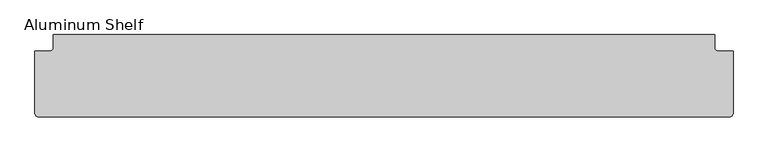
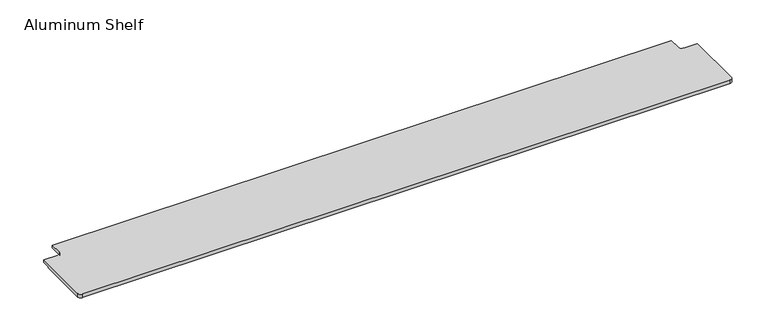
"""IFC4 building model written with IfcOpenShell, lengths in millimetres: furniture geometry, Aluminum Shelf."""

from ifc_helpers import new_model, si_unit, frame, origin, place, context, project, spatial, polyline, circle_curve, source, transform, mapped, element, save
from ifc_brep_helpers import plane_surface, cylinder_surface, revolved_surface, advanced_brep


def aluminum_shelf_9e608764(model_context):
    return source(origin(), model_context, "Body", "AdvancedBrep", [
        advanced_brep(
        [(-1136.65, -70.8560781, 2.4854), (73.025, -70.8560781, 2.4854), (79.375, -64.5060781, 2.4854), (79.375, 44.5882219, 2.4854), (53.3146, 44.5882219, 2.4854), (46.9646, 50.9382219, 2.4854), (46.9646, 73.1812219, 2.4854), (-1110.5896, 73.1812219, 2.4854), (-1110.5896, 50.9382219, 2.4854), (-1116.9396, 44.5882219, 2.4854), (-1143.0, 44.5882219, 2.4854), (-1143.0, -64.5060781, 2.4854), (-1136.65, -70.8560781, -4.5146), (-1143.0, -64.5060781, -4.5146), (-1143.0, 29.2199219, -4.5146), (79.375, 29.2199219, -4.5146), (79.375, -64.5060781, -4.5146), (73.025, -70.8560781, -4.5146), (79.375, 29.2199219, -2.51586), (79.375, 44.5882219, -2.51586), (53.3146, 44.5882219, -2.51586), (46.9646, 50.9382219, -2.51586), (46.9646, 73.1812219, -2.51586), (-1110.5896, 73.1812219, -2.51586), (-1110.5896, 50.9382219, -2.51586), (-1116.9396, 44.5882219, -2.51586), (-1143.0, 44.5882219, -2.51586), (-1143.0, 29.2199219, -2.51586)],
        [
            (0, 1),
            (1, 2, circle_curve(frame((73.025, -64.5060781, 2.4854), z_axis=(0.0, 0.0, 1.0), x_axis=(1.0, 0.0, 0.0)), 6.35)),
            (2, 3),
            (3, 4),
            (4, 5, circle_curve(frame((53.3146, 50.9382219, 2.4854), z_axis=(0.0, 0.0, -1.0), x_axis=(1.0, 0.0, 0.0)), 6.35)),
            (5, 6),
            (6, 7),
            (7, 8),
            (8, 9, circle_curve(frame((-1116.9396, 50.9382219, 2.4854), z_axis=(0.0, 0.0, -1.0), x_axis=(1.0, 0.0, 0.0)), 6.35)),
            (9, 10),
            (10, 11),
            (11, 0, circle_curve(frame((-1136.65, -64.5060781, 2.4854), z_axis=(0.0, 0.0, 1.0), x_axis=(1.0, 0.0, 0.0)), 6.35)),
            (12, 13, circle_curve(frame((-1136.65, -64.5060781, -4.5146), z_axis=(0.0, 0.0, -1.0), x_axis=(1.0, 0.0, 0.0)), 6.35)),
            (13, 14),
            (14, 15),
            (15, 16),
            (16, 17, circle_curve(frame((73.025, -64.5060781, -4.5146), z_axis=(0.0, 0.0, -1.0), x_axis=(1.0, 0.0, 0.0)), 6.35)),
            (17, 12),
            (0, 12),
            (17, 1),
            (16, 2),
            (15, 18),
            (18, 19),
            (19, 3),
            (19, 20),
            (20, 4),
            (20, 21, circle_curve(frame((53.3146, 50.9382219, -2.51586), z_axis=(0.0, 0.0, -1.0), x_axis=(1.0, 0.0, 0.0)), 6.35)),
            (21, 5),
            (21, 22),
            (22, 6),
            (22, 23),
            (23, 7),
            (23, 24),
            (24, 8),
            (24, 25, circle_curve(frame((-1116.9396, 50.9382219, -2.51586), z_axis=(0.0, 0.0, -1.0), x_axis=(1.0, 0.0, 0.0)), 6.35)),
            (25, 9),
            (25, 26),
            (26, 10),
            (26, 27),
            (27, 14),
            (13, 11),
            (27, 18),
        ],
        [
            plane_surface(frame((-531.8125, -31.1050781, 2.4854), z_axis=(0.0, 0.0, 1.0), x_axis=(1.0, 0.0, 0.0))),
            plane_surface(frame((-531.8125, -31.1050781, -4.5146), z_axis=(0.0, 0.0, -1.0), x_axis=(1.0, 0.0, 0.0))),
            plane_surface(frame((-1136.65, -70.8560781, 2.4854), z_axis=(0.0, -1.0, 0.0), x_axis=(0.0, 0.0, -1.0))),
            cylinder_surface(frame((73.025, -64.5060781, 2.4854), z_axis=(0.0, 0.0, 1.0), x_axis=(1.0, 0.0, 0.0)), 6.35),
            plane_surface(frame((79.375, -64.5060781, 2.4854), z_axis=(1.0, 0.0, 0.0), x_axis=(0.0, 0.0, -1.0))),
            plane_surface(frame((79.375, 44.5882219, 2.4854), z_axis=(0.0, 1.0, 0.0), x_axis=(0.0, 0.0, -1.0))),
            revolved_surface(polyline([(59.6646, 50.9382219, -2.5158600000000004), (59.6646, 50.9382219, 2.4854)]), (53.3146, 50.9382219, 2.4854), (0.0, 0.0, -1.0)),
            plane_surface(frame((46.9646, 50.9382219, 2.4854), z_axis=(1.0, 0.0, 0.0), x_axis=(0.0, 0.0, -1.0))),
            plane_surface(frame((46.9646, 73.1812219, 2.4854), z_axis=(0.0, 1.0, 0.0), x_axis=(0.0, 0.0, -1.0))),
            plane_surface(frame((-1110.5896, 73.1812219, 2.4854), z_axis=(-1.0, 0.0, 0.0), x_axis=(0.0, 0.0, -1.0))),
            revolved_surface(polyline([(-1110.5896, 50.9382219, -2.5158600000000004), (-1110.5896, 50.9382219, 2.4854)]), (-1116.9396, 50.9382219, 2.4854), (0.0, 0.0, -1.0)),
            plane_surface(frame((-1116.9396, 44.5882219, 2.4854), z_axis=(0.0, 1.0, 0.0), x_axis=(0.0, 0.0, -1.0))),
            plane_surface(frame((-1143.0, 44.5882219, 2.4854), z_axis=(-1.0, 0.0, 0.0), x_axis=(0.0, 0.0, -1.0))),
            cylinder_surface(frame((-1136.65, -64.5060781, 2.4854), z_axis=(0.0, 0.0, 1.0), x_axis=(1.0, 0.0, 0.0)), 6.35),
            plane_surface(frame((-1143.0, 29.2199219, -14.4803672), z_axis=(0.0, 1.0, 0.0), x_axis=(1.0, 0.0, 0.0))),
            plane_surface(frame((-1143.0, 29.2199219, -2.51586), z_axis=(0.0, 0.0, -1.0), x_axis=(1.0, 0.0, 0.0))),
        ],
        [
            (0, [[1, 2, 3, 4, 5, 6, 7, 8, 9, 10, 11, 12]]),
            (1, [[13, 14, 15, 16, 17, 18]]),
            (2, [[-1, 19, -18, 20]]),
            (3, [[-2, -20, -17, 21]]),
            (4, [[-3, -21, -16, 22, 23, 24]]),
            (5, [[-4, -24, 25, 26]]),
            (6, [[-5, -26, 27, 28]]),
            (7, [[-6, -28, 29, 30]]),
            (8, [[-7, -30, 31, 32]]),
            (9, [[-8, -32, 33, 34]]),
            (10, [[-9, -34, 35, 36]]),
            (11, [[-10, -36, 37, 38]]),
            (12, [[-11, -38, 39, 40, -14, 41]]),
            (13, [[-12, -41, -13, -19]]),
            (14, [[42, -22, -15, -40]]),
            (15, [[-42, -39, -37, -35, -33, -31, -29, -27, -25, -23]]),
        ],
    ),
    ])


if __name__ == "__main__":
    model = new_model("IFC4")
    model_context = context("Model", 3, world=origin())
    ifc_project = project(units=[si_unit("LENGTHUNIT", "METRE", prefix="MILLI")], contexts=[model_context])
    site = spatial("IfcSite", under=ifc_project)
    building = spatial("IfcBuilding", under=site)
    placement = place(None, origin())
    aluminum_shelf_shape = aluminum_shelf_9e608764(model_context)
    element("IfcFurniture", 1, ObjectType="Aluminum Shelf", at=placement, inside=building, context=model_context, shape_type="MappedRepresentation", body=[
        mapped(aluminum_shelf_shape, transform((0.0, 0.0, 0.0), x_axis=(1.0, 0.0, 0.0), y_axis=(0.0, 1.0, 0.0), z_axis=(0.0, 0.0, 1.0))),
    ])
    save(model, "model.ifc")
